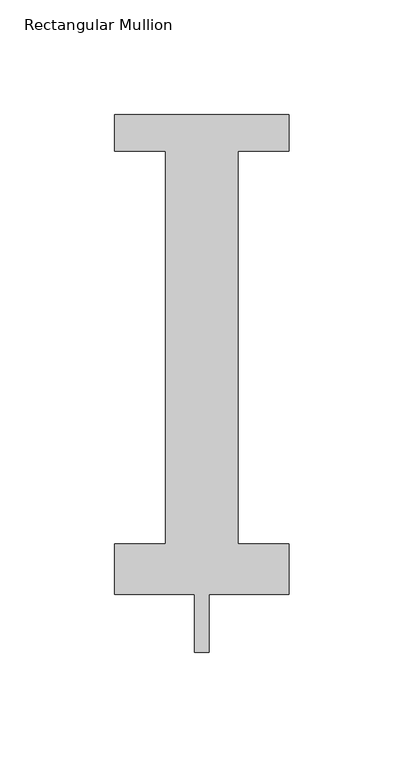
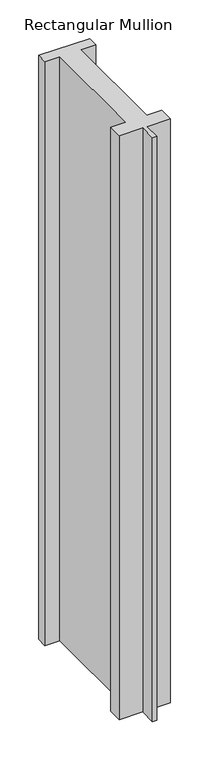
"""IFC4 building model written with IfcOpenShell, lengths in millimetres: member geometry, Rectangular Mullion."""

from ifc_helpers import new_model, si_unit, frame, origin, place, context, project, spatial, polyline, outline, extrude, source, transform, mapped, element, save


def rectangular_mullion_3e90f90b(model_context):
    return source(origin(), model_context, "Body", "SweptSolid", [
        extrude(outline(polyline([(38.1, 221.996), (38.1, 206.121), (15.875, 206.121), (15.875, 34.671), (38.1, 34.671), (38.1, 12.7), (3.175, 12.7), (3.175, -12.7), (-3.175, -12.7), (-3.175, 12.7), (-38.1, 12.7), (-38.1, 34.671), (-15.875, 34.671), (-15.875, 206.121), (-38.1, 206.121), (-38.1, 221.996), (38.1, 221.996)])), frame((0.0, 0.0, -923.925), z_axis=(0.0, 0.0, 1.0), x_axis=(1.0, 0.0, 0.0)), (0.0, 0.0, 1.0), 923.925),
    ])


if __name__ == "__main__":
    model = new_model("IFC4")
    model_context = context("Model", 3, world=origin())
    ifc_project = project(units=[si_unit("LENGTHUNIT", "METRE", prefix="MILLI")], contexts=[model_context])
    site = spatial("IfcSite", under=ifc_project)
    building = spatial("IfcBuilding", under=site)
    placement = place(None, origin())
    rectangular_mullion_shape = rectangular_mullion_3e90f90b(model_context)
    element("IfcMember", 1, ObjectType="Rectangular Mullion", at=placement, inside=building, context=model_context, shape_type="MappedRepresentation", body=[
        mapped(rectangular_mullion_shape, transform((0.0, 0.0, 0.0), x_axis=(1.0, 0.0, 0.0), y_axis=(0.0, 1.0, 0.0), z_axis=(0.0, 0.0, 1.0))),
    ])
    save(model, "model.ifc")
